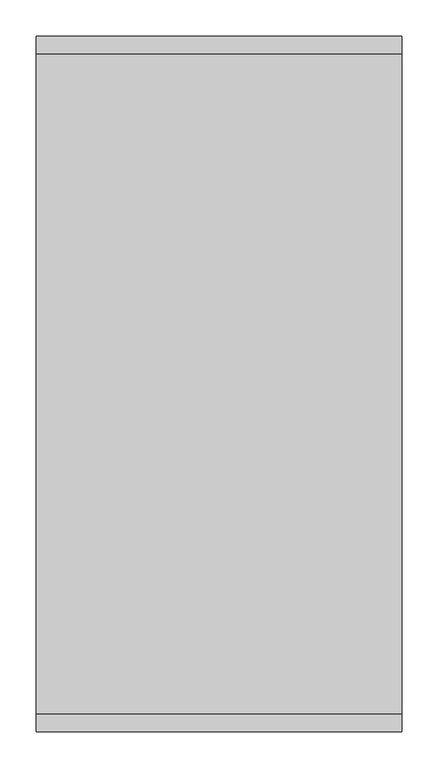
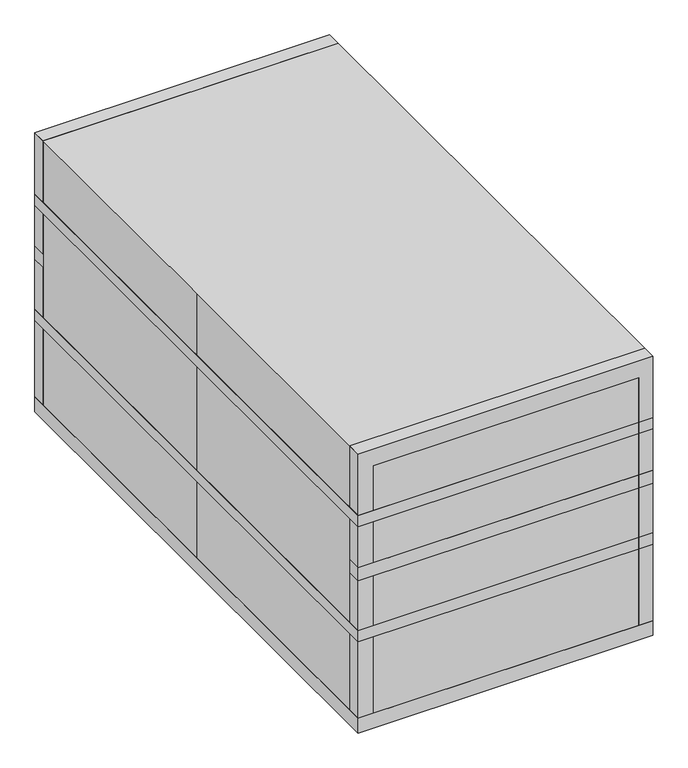
"""IFC4 building model written with IfcOpenShell, lengths in millimetres: proxy geometry."""

from ifc_helpers import new_model, si_unit, frame, origin, origin_with_axes, place, context, project, spatial, polyline, outline, extrude, source, transform, mapped, element, save


def specialty_equipment_4a336ec8(model_context):
    return source(origin(), model_context, "Body", "SweptSolid", [
        extrude(outline(polyline([(254.0, 482.6), (254.0, 458.0324286), (-254.0, 458.0324286), (-254.0, 482.6), (254.0, 482.6)])), frame((0.0, 0.0, 277.4471471), z_axis=(0.0, 0.0, 1.0), x_axis=(1.0, 0.0, 0.0)), (0.0, 0.0, 1.0), 23.2707904),
        extrude(outline(polyline([(254.0, -458.0324286), (254.0, -482.6), (-254.0, -482.6), (-254.0, -458.0324286), (254.0, -458.0324286)])), frame((0.0, 0.0, 277.4471471), z_axis=(0.0, 0.0, 1.0), x_axis=(1.0, 0.0, 0.0)), (0.0, 0.0, 1.0), 23.2707904),
        extrude(outline(polyline([(254.0, -482.6), (-254.0, -482.6), (-254.0, 482.6), (254.0, 482.6), (254.0, -482.6)])), frame((0.0, 0.0, 375.8767366), z_axis=(0.0, 0.0, 1.0), x_axis=(1.0, 0.0, 0.0)), (0.0, 0.0, 1.0), 20.120207),
        extrude(outline(polyline([(254.0, -482.6), (-254.0, -482.6), (-254.0, 482.6), (254.0, 482.6), (254.0, -482.6)])), frame((0.0, 0.0, 166.3267366), z_axis=(0.0, 0.0, 1.0), x_axis=(1.0, 0.0, 0.0)), (0.0, 0.0, 1.0), 20.120207),
        extrude(outline(polyline([(229.2176472, 19.308138), (229.2176472, -18.1308753), (-227.8503058, -18.1308753), (-227.8503058, 19.308138), (229.2176472, 19.308138)])), origin_with_axes(), (0.0, 0.0, 1.0), 26.7236401),
        extrude(outline(polyline([(254.0, 482.6), (254.0, -482.6), (-254.0, -482.6), (-254.0, 482.6), (254.0, 482.6)]), holes=[polyline([(229.2176472, 458.0324286), (-227.8503058, 458.0324286), (-227.8503058, -458.0324286), (229.2176472, -458.0324286), (229.2176472, 458.0324286)])]), origin_with_axes(), (0.0, 0.0, 1.0), 26.7236401),
        extrude(outline(polyline([(508.0, 254.0), (508.0, -254.0), (0.0, -254.0), (0.0, 254.0), (508.0, 254.0)]), holes=[polyline([(477.4604177, 229.2176472), (26.7236401, 229.2176472), (26.7236401, -227.8503058), (477.4604177, -227.8503058), (477.4604177, 229.2176472)])]), frame((0.0, 458.0324286, 0.0), z_axis=(0.0, 1.0, 0.0), x_axis=(0.0, 0.0, 1.0)), (0.0, 0.0, 1.0), 24.5675714),
        extrude(outline(polyline([(508.0, 254.0), (508.0, -254.0), (0.0, -254.0), (0.0, 254.0), (508.0, 254.0)]), holes=[polyline([(477.4604177, 229.2176472), (26.7236401, 229.2176472), (26.7236401, -227.8503058), (477.4604177, -227.8503058), (477.4604177, 229.2176472)])]), frame((0.0, -482.6, 0.0), z_axis=(0.0, 1.0, 0.0), x_axis=(0.0, 0.0, 1.0)), (0.0, 0.0, 1.0), 24.5675714),
        extrude(outline(polyline([(-254.0, 482.6), (254.0, 482.6), (254.0, -482.6), (-254.0, -482.6), (-254.0, 0.0), (-254.0, 482.6)])), origin_with_axes(), (0.0, 0.0, 1.0), 508.0),
    ])


if __name__ == "__main__":
    model = new_model("IFC4")
    model_context = context("Model", 3, world=origin())
    ifc_project = project(units=[si_unit("LENGTHUNIT", "METRE", prefix="MILLI")], contexts=[model_context])
    site = spatial("IfcSite", under=ifc_project)
    building = spatial("IfcBuilding", under=site)
    placement = place(None, origin())
    specialty_equipment_shape = specialty_equipment_4a336ec8(model_context)
    element("IfcBuildingElementProxy", 1, Name="Specialty Equipment", at=placement, inside=building, context=model_context, shape_type="MappedRepresentation", body=[
        mapped(specialty_equipment_shape, transform((0.0, 0.0, 0.0), x_axis=(1.0, 0.0, 0.0), y_axis=(0.0, 1.0, 0.0), z_axis=(0.0, 0.0, 1.0))),
    ])
    save(model, "model.ifc")
